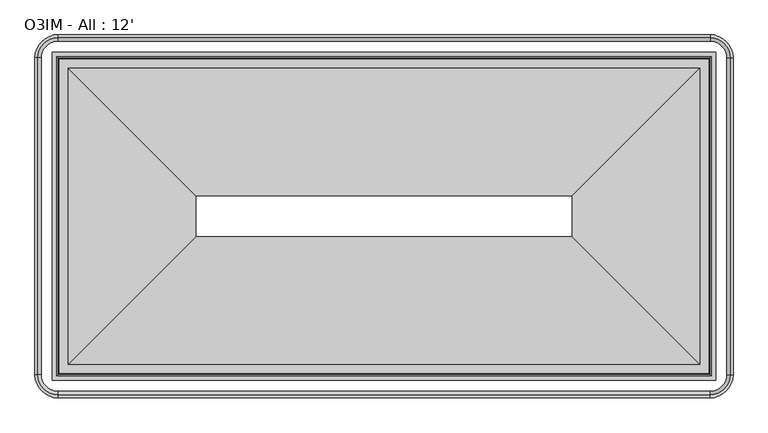
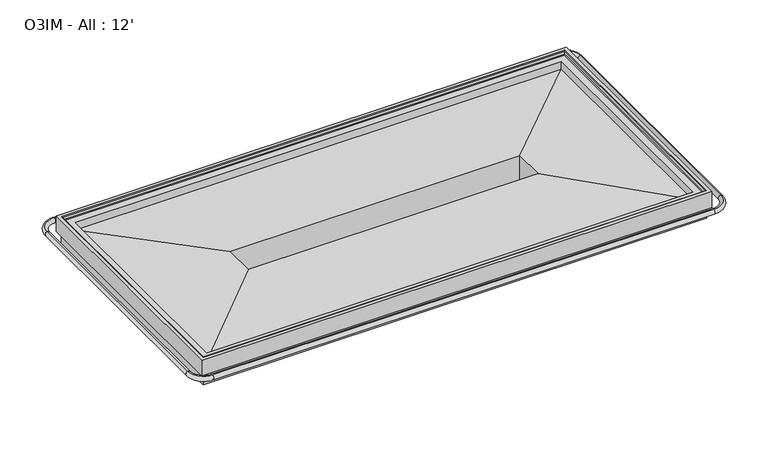
"""IFC4 building model written with IfcOpenShell, lengths in millimetres: proxy geometry, O3IM - All : 12'."""

from ifc_helpers import new_model, si_unit, point, frame, origin, place, context, project, spatial, circle_curve, ellipse_curve, trimmed, source, transform, mapped, element, save
from ifc_brep_helpers import plane_surface, cylinder_surface, revolved_surface, advanced_brep


def o3im_all_12_a718f6d6(model_context):
    return source(origin(), model_context, "Body", "AdvancedBrep", [
        advanced_brep(
        [(3001.1369938, -1529.3959211, 583.240307), (3712.1940482, -2240.4529755, 564.6206228), (3712.1940482, -588.2148791, 564.6206228), (3001.1369938, -1299.2719335, 583.240307), (3001.1369938, -1529.3959211, 330.5006237), (3001.1369938, -1299.2719335, 330.5006237), (3287.3539195, -1815.6128468, 315.9996591), (3287.3539195, -1013.0550078, 315.9996591), (3302.4358253, -1830.6947526, 301.7115379), (3302.4358253, -997.973102, 301.7115379), (3317.5165925, -1845.7755198, 315.9985806), (3317.5165925, -982.8923348, 315.9985806), (3615.687379, -2143.9463063, 326.7908623), (3615.687379, -684.7215483, 326.7908623), (3778.535508, -2306.7944353, 440.8183498), (3778.535508, -521.8734193, 440.8183498), (3778.535508, -2306.7944353, 529.6852408), (3778.535508, -521.8734193, 529.6852408), (3801.3161501, -2329.5750774, 651.1666761), (3801.3161501, -2329.5750774, 529.6852408), (3801.3161501, -499.0927772, 529.6852408), (3801.3161501, -499.0927772, 651.1666761), (3772.0142767, -2300.273204, 646.4576372), (3776.0651876, -2304.3241149, 651.1666761), (3776.0651876, -524.3437397, 651.1666761), (3772.0142767, -528.3946506, 646.4576372), (3771.9229493, -2300.1818766, 625.4643319), (3771.9229493, -528.485978, 625.4643319), (3764.9031366, -2293.1620639, 622.6991544), (3764.9031366, -535.5057907, 622.6991544), (3712.1940482, -2240.4529755, 622.6991544), (3712.1940482, -588.2148791, 622.6991544), (186.7059518, -588.2148791, 564.6206228), (897.7630062, -1299.2719335, 583.240307), (897.7630062, -1299.2719335, 330.5006237), (611.5460805, -1013.0550078, 315.9996591), (596.4641747, -997.973102, 301.7115379), (581.3834075, -982.8923348, 315.9985806), (283.212621, -684.7215483, 326.7908623), (120.364492, -521.8734193, 440.8183498), (120.364492, -521.8734193, 529.6852408), (97.5838499, -499.0927772, 529.6852408), (97.5838499, -499.0927772, 651.1666761), (122.8348124, -524.3437397, 651.1666761), (126.8857233, -528.3946506, 646.4576372), (126.9770507, -528.485978, 625.4643319), (133.9968634, -535.5057907, 622.6991544), (186.7059518, -588.2148791, 622.6991544), (186.7059518, -2240.4529755, 564.6206228), (897.7630062, -1529.3959211, 583.240307), (897.7630062, -1529.3959211, 330.5006237), (611.5460805, -1815.6128468, 315.9996591), (596.4641747, -1830.6947526, 301.7115379), (581.3834075, -1845.7755198, 315.9985806), (283.212621, -2143.9463063, 326.7908623), (120.364492, -2306.7944353, 440.8183498), (120.364492, -2306.7944353, 529.6852408), (97.5838499, -2329.5750774, 529.6852408), (97.5838499, -2329.5750774, 651.1666761), (122.8348124, -2304.3241149, 651.1666761), (126.8857233, -2300.273204, 646.4576372), (126.9770507, -2300.1818766, 625.4643319), (133.9968634, -2293.1620639, 622.6991544), (186.7059518, -2240.4529755, 622.6991544)],
        [
            (0, 1),
            (1, 2),
            (2, 3),
            (3, 0),
            (4, 0),
            (3, 5),
            (5, 4),
            (6, 4),
            (5, 7),
            (7, 6),
            (8, 6),
            (7, 9),
            (9, 8),
            (10, 8),
            (9, 11),
            (11, 10),
            (12, 10),
            (11, 13),
            (13, 12),
            (14, 12),
            (13, 15),
            (15, 14),
            (16, 14),
            (15, 17),
            (17, 16),
            (18, 19),
            (19, 20),
            (20, 21),
            (21, 18),
            (22, 23, ellipse_curve(frame((3776.7767767, -2305.035704, 646.4576372), z_axis=(0.7071067811865475, 0.7071067811865475, 0.0), x_axis=(0.7071067811865474, -0.7071067811865476, 0.0)), 6.7351921, 4.7625)),
            (23, 24),
            (24, 25, ellipse_curve(frame((3776.7767767, -523.6321506, 646.4576372), z_axis=(0.7071067811865475, -0.7071067811865475, 0.0), x_axis=(-0.7071067811865474, -0.7071067811865476, 0.0)), 6.7351921, 4.7625)),
            (25, 22),
            (26, 22),
            (25, 27),
            (27, 26),
            (28, 26),
            (27, 29),
            (29, 28),
            (1, 30),
            (30, 31),
            (31, 2),
            (2, 32),
            (32, 33),
            (33, 3),
            (33, 34),
            (34, 5),
            (34, 35),
            (35, 7),
            (35, 36),
            (36, 9),
            (36, 37),
            (37, 11),
            (37, 38),
            (38, 13),
            (38, 39),
            (39, 15),
            (39, 40),
            (40, 17),
            (20, 41),
            (41, 42),
            (42, 21),
            (24, 43),
            (43, 44, ellipse_curve(frame((122.1232233, -523.6321506, 646.4576372), z_axis=(0.7071067811865475, 0.7071067811865475, 0.0), x_axis=(0.7071067811865476, -0.7071067811865474, 0.0)), 6.7351921, 4.7625)),
            (44, 25),
            (44, 45),
            (45, 27),
            (45, 46),
            (46, 29),
            (31, 47),
            (47, 32),
            (32, 48),
            (48, 49),
            (49, 33),
            (49, 50),
            (50, 34),
            (50, 51),
            (51, 35),
            (51, 52),
            (52, 36),
            (52, 53),
            (53, 37),
            (53, 54),
            (54, 38),
            (54, 55),
            (55, 39),
            (55, 56),
            (56, 40),
            (41, 57),
            (57, 58),
            (58, 42),
            (43, 59),
            (59, 60, ellipse_curve(frame((122.1232233, -2305.035704, 646.4576372), z_axis=(-0.7071067811865475, 0.7071067811865475, 0.0), x_axis=(0.7071067811865474, 0.7071067811865476, 0.0)), 6.7351921, 4.7625)),
            (60, 44),
            (60, 61),
            (61, 45),
            (61, 62),
            (62, 46),
            (47, 63),
            (63, 48),
            (48, 1),
            (0, 49),
            (4, 50),
            (6, 51),
            (8, 52),
            (10, 53),
            (12, 54),
            (14, 55),
            (16, 56),
            (19, 57),
            (18, 58),
            (23, 59),
            (22, 60),
            (26, 61),
            (28, 62),
            (30, 63),
        ],
        [
            plane_surface(frame((3712.1940482, -2240.4529755, 564.6206228), z_axis=(0.026176948307951815, 0.0, 0.9996573249755553), x_axis=(0.0, 1.0, 0.0))),
            plane_surface(frame((3001.1369938, -1529.3959211, 583.240307), z_axis=(-1.0, 0.0, 0.0), x_axis=(0.0, 1.0, 0.0))),
            plane_surface(frame((3001.1369938, -1529.3959211, 330.5006237), z_axis=(-0.05059934604185507, 0.0, -0.9987190326513942), x_axis=(0.0, 1.0, 0.0))),
            plane_surface(frame((3287.3539195, -1815.6128468, 315.9996591), z_axis=(-0.6877446479107937, 0.0, -0.7259526839058166), x_axis=(0.0, 1.0, 0.0))),
            plane_surface(frame((3302.4358253, -1830.6947526, 301.7115379), z_axis=(0.6877446479108454, 0.0, -0.7259526839057676), x_axis=(0.0, 1.0, 0.0))),
            plane_surface(frame((3317.5165925, -1845.7755198, 315.9985806), z_axis=(0.036171280996439965, 0.0, -0.9993456050991952), x_axis=(0.0, 1.0, 0.0))),
            plane_surface(frame((3615.687379, -2143.9463063, 326.7908623), z_axis=(0.5735764363510389, 0.0, -0.8191520442889968), x_axis=(0.0, 1.0, 0.0))),
            plane_surface(frame((3778.535508, -2306.7944353, 440.8183498), z_axis=(1.0, 0.0, 0.0), x_axis=(0.0, 1.0, 0.0))),
            plane_surface(frame((3801.3161501, -2329.5750774, 529.6852408), z_axis=(1.0, 0.0, 0.0), x_axis=(0.0, 1.0, 0.0))),
            cylinder_surface(frame((3776.7767767, -2427.1589273, 646.4576372), z_axis=(0.0, -1.0, 0.0), x_axis=(-1.0, 0.0, 0.0)), 4.7625),
            plane_surface(frame((3772.0142767, -2300.273204, 646.4576372), z_axis=(-0.9999905375281687, 0.0, 0.004350270580597052), x_axis=(0.0, 1.0, 0.0))),
            plane_surface(frame((3771.9229493, -2300.1818766, 625.4643319), z_axis=(-0.366501192754731, 0.0, 0.9304175813629919), x_axis=(0.0, 1.0, 0.0))),
            plane_surface(frame((3712.1940482, -2240.4529755, 622.6991544), z_axis=(-1.0, 0.0, 0.0), x_axis=(0.0, 1.0, 0.0))),
            plane_surface(frame((3712.1940482, -588.2148791, 564.6206228), z_axis=(0.0, 0.026176948307951815, 0.9996573249755553), x_axis=(-1.0, 0.0, 0.0))),
            plane_surface(frame((3001.1369938, -1299.2719335, 583.240307), z_axis=(0.0, -1.0, 0.0), x_axis=(-1.0, 0.0, 0.0))),
            plane_surface(frame((3001.1369938, -1299.2719335, 330.5006237), z_axis=(0.0, -0.05059934604185507, -0.9987190326513942), x_axis=(-1.0, 0.0, 0.0))),
            plane_surface(frame((3287.3539195, -1013.0550078, 315.9996591), z_axis=(0.0, -0.6877446479107937, -0.7259526839058166), x_axis=(-1.0, 0.0, 0.0))),
            plane_surface(frame((3302.4358253, -997.973102, 301.7115379), z_axis=(0.0, 0.6877446479108454, -0.7259526839057676), x_axis=(-1.0, 0.0, 0.0))),
            plane_surface(frame((3317.5165925, -982.8923348, 315.9985806), z_axis=(0.0, 0.036171280996439965, -0.9993456050991952), x_axis=(-1.0, 0.0, 0.0))),
            plane_surface(frame((3615.687379, -684.7215483, 326.7908623), z_axis=(0.0, 0.5735764363510389, -0.8191520442889968), x_axis=(-1.0, 0.0, 0.0))),
            plane_surface(frame((3778.535508, -521.8734193, 440.8183498), z_axis=(0.0, 1.0, 0.0), x_axis=(-1.0, 0.0, 0.0))),
            plane_surface(frame((3801.3161501, -499.0927772, 529.6852408), z_axis=(0.0, 1.0, 0.0), x_axis=(-1.0, 0.0, 0.0))),
            cylinder_surface(frame((3898.9, -523.6321506, 646.4576372), z_axis=(1.0, 0.0, 0.0), x_axis=(0.0, -1.0, 0.0)), 4.7625),
            plane_surface(frame((3772.0142767, -528.3946506, 646.4576372), z_axis=(0.0, -0.9999905375281687, 0.004350270580597052), x_axis=(-1.0, 0.0, 0.0))),
            plane_surface(frame((3771.9229493, -528.485978, 625.4643319), z_axis=(0.0, -0.366501192754731, 0.9304175813629919), x_axis=(-1.0, 0.0, 0.0))),
            plane_surface(frame((3712.1940482, -588.2148791, 622.6991544), z_axis=(0.0, -1.0, 0.0), x_axis=(-1.0, 0.0, 0.0))),
            plane_surface(frame((186.7059518, -588.2148791, 564.6206228), z_axis=(-0.026176948307951815, 0.0, 0.9996573249755553), x_axis=(0.0, -1.0, 0.0))),
            plane_surface(frame((897.7630062, -1299.2719335, 583.240307), z_axis=(1.0, 0.0, 0.0), x_axis=(0.0, -1.0, 0.0))),
            plane_surface(frame((897.7630062, -1299.2719335, 330.5006237), z_axis=(0.05059934604185507, 0.0, -0.9987190326513942), x_axis=(0.0, -1.0, 0.0))),
            plane_surface(frame((611.5460805, -1013.0550078, 315.9996591), z_axis=(0.6877446479107937, 0.0, -0.7259526839058166), x_axis=(0.0, -1.0, 0.0))),
            plane_surface(frame((596.4641747, -997.973102, 301.7115379), z_axis=(-0.6877446479108454, 0.0, -0.7259526839057676), x_axis=(0.0, -1.0, 0.0))),
            plane_surface(frame((581.3834075, -982.8923348, 315.9985806), z_axis=(-0.036171280996439965, 0.0, -0.9993456050991952), x_axis=(0.0, -1.0, 0.0))),
            plane_surface(frame((283.212621, -684.7215483, 326.7908623), z_axis=(-0.5735764363510389, 0.0, -0.8191520442889968), x_axis=(0.0, -1.0, 0.0))),
            plane_surface(frame((120.364492, -521.8734193, 440.8183498), z_axis=(-1.0, 0.0, 0.0), x_axis=(0.0, -1.0, 0.0))),
            plane_surface(frame((97.5838499, -499.0927772, 529.6852408), z_axis=(-1.0, 0.0, 0.0), x_axis=(0.0, -1.0, 0.0))),
            cylinder_surface(frame((122.1232233, -401.5089273, 646.4576372), z_axis=(0.0, 1.0, 0.0), x_axis=(1.0, 0.0, 0.0)), 4.7625),
            plane_surface(frame((126.8857233, -528.3946506, 646.4576372), z_axis=(0.9999905375281687, 0.0, 0.004350270580597052), x_axis=(0.0, -1.0, 0.0))),
            plane_surface(frame((126.9770507, -528.485978, 625.4643319), z_axis=(0.366501192754731, 0.0, 0.9304175813629919), x_axis=(0.0, -1.0, 0.0))),
            plane_surface(frame((186.7059518, -588.2148791, 622.6991544), z_axis=(1.0, 0.0, 0.0), x_axis=(0.0, -1.0, 0.0))),
            plane_surface(frame((186.7059518, -2240.4529755, 564.6206228), z_axis=(0.0, -0.026176948307951815, 0.9996573249755553), x_axis=(1.0, 0.0, 0.0))),
            plane_surface(frame((897.7630062, -1529.3959211, 583.240307), z_axis=(0.0, 1.0, 0.0), x_axis=(1.0, 0.0, 0.0))),
            plane_surface(frame((897.7630062, -1529.3959211, 330.5006237), z_axis=(0.0, 0.05059934604185507, -0.9987190326513942), x_axis=(1.0, 0.0, 0.0))),
            plane_surface(frame((611.5460805, -1815.6128468, 315.9996591), z_axis=(0.0, 0.6877446479107937, -0.7259526839058166), x_axis=(1.0, 0.0, 0.0))),
            plane_surface(frame((596.4641747, -1830.6947526, 301.7115379), z_axis=(0.0, -0.6877446479108454, -0.7259526839057676), x_axis=(1.0, 0.0, 0.0))),
            plane_surface(frame((581.3834075, -1845.7755198, 315.9985806), z_axis=(0.0, -0.036171280996439965, -0.9993456050991952), x_axis=(1.0, 0.0, 0.0))),
            plane_surface(frame((283.212621, -2143.9463063, 326.7908623), z_axis=(0.0, -0.5735764363510389, -0.8191520442889968), x_axis=(1.0, 0.0, 0.0))),
            plane_surface(frame((120.364492, -2306.7944353, 440.8183498), z_axis=(0.0, -1.0, 0.0), x_axis=(1.0, 0.0, 0.0))),
            plane_surface(frame((120.364492, -2306.7944353, 529.6852408), z_axis=(0.0, 0.0, -1.0), x_axis=(1.0, 0.0, 0.0))),
            plane_surface(frame((97.5838499, -2329.5750774, 529.6852408), z_axis=(0.0, -1.0, 0.0), x_axis=(1.0, 0.0, 0.0))),
            plane_surface(frame((97.5838499, -2329.5750774, 651.1666761), z_axis=(0.0, 0.0, 1.0), x_axis=(1.0, 0.0, 0.0))),
            cylinder_surface(frame((0.0, -2305.035704, 646.4576372), z_axis=(-1.0, 0.0, 0.0), x_axis=(0.0, 1.0, 0.0)), 4.7625),
            plane_surface(frame((126.8857233, -2300.273204, 646.4576372), z_axis=(0.0, 0.9999905375281687, 0.004350270580597052), x_axis=(1.0, 0.0, 0.0))),
            plane_surface(frame((126.9770507, -2300.1818766, 625.4643319), z_axis=(0.0, 0.366501192754731, 0.9304175813629919), x_axis=(1.0, 0.0, 0.0))),
            plane_surface(frame((133.9968634, -2293.1620639, 622.6991544), z_axis=(0.0, 0.0, 1.0), x_axis=(1.0, 0.0, 0.0))),
            plane_surface(frame((186.7059518, -2240.4529755, 622.6991544), z_axis=(0.0, 1.0, 0.0), x_axis=(1.0, 0.0, 0.0))),
        ],
        [
            (0, [[1, 2, 3, 4]]),
            (1, [[5, -4, 6, 7]]),
            (2, [[8, -7, 9, 10]]),
            (3, [[11, -10, 12, 13]]),
            (4, [[14, -13, 15, 16]]),
            (5, [[17, -16, 18, 19]]),
            (6, [[20, -19, 21, 22]]),
            (7, [[23, -22, 24, 25]]),
            (8, [[26, 27, 28, 29]]),
            (9, [[30, 31, 32, 33]]),
            (10, [[34, -33, 35, 36]]),
            (11, [[37, -36, 38, 39]]),
            (12, [[40, 41, 42, -2]]),
            (13, [[-3, 43, 44, 45]]),
            (14, [[-6, -45, 46, 47]]),
            (15, [[-9, -47, 48, 49]]),
            (16, [[-12, -49, 50, 51]]),
            (17, [[-15, -51, 52, 53]]),
            (18, [[-18, -53, 54, 55]]),
            (19, [[-21, -55, 56, 57]]),
            (20, [[-24, -57, 58, 59]]),
            (21, [[-28, 60, 61, 62]]),
            (22, [[-32, 63, 64, 65]]),
            (23, [[-35, -65, 66, 67]]),
            (24, [[-38, -67, 68, 69]]),
            (25, [[-42, 70, 71, -43]]),
            (26, [[-44, 72, 73, 74]]),
            (27, [[-46, -74, 75, 76]]),
            (28, [[-48, -76, 77, 78]]),
            (29, [[-50, -78, 79, 80]]),
            (30, [[-52, -80, 81, 82]]),
            (31, [[-54, -82, 83, 84]]),
            (32, [[-56, -84, 85, 86]]),
            (33, [[-58, -86, 87, 88]]),
            (34, [[-61, 89, 90, 91]]),
            (35, [[-64, 92, 93, 94]]),
            (36, [[-66, -94, 95, 96]]),
            (37, [[-68, -96, 97, 98]]),
            (38, [[-71, 99, 100, -72]]),
            (39, [[-73, 101, -1, 102]]),
            (40, [[-75, -102, -5, 103]]),
            (41, [[-77, -103, -8, 104]]),
            (42, [[-79, -104, -11, 105]]),
            (43, [[-81, -105, -14, 106]]),
            (44, [[-83, -106, -17, 107]]),
            (45, [[-85, -107, -20, 108]]),
            (46, [[-87, -108, -23, 109]]),
            (47, [[110, -89, -60, -27], [-59, -88, -109, -25]]),
            (48, [[-90, -110, -26, 111]]),
            (49, [[-62, -91, -111, -29], [112, -92, -63, -31]]),
            (50, [[-93, -112, -30, 113]]),
            (51, [[-95, -113, -34, 114]]),
            (52, [[-97, -114, -37, 115]]),
            (53, [[-69, -98, -115, -39], [116, -99, -70, -41]]),
            (54, [[-100, -116, -40, -101]]),
        ],
    ),
        advanced_brep(
        [(15.5691464, -2298.62165, 576.4502877), (128.5372773, -2411.5897809, 576.4502877), (128.5372773, -2412.2459044, 541.7869334), (14.9130229, -2298.62165, 541.7869334), (14.9130229, -530.0462046, 541.7869334), (15.5691464, -530.0462046, 576.4502877), (128.5372773, -417.0780737, 576.4502877), (128.5372773, -416.4219502, 541.7869334), (3770.3627227, -416.4219502, 541.7869334), (3770.3627227, -417.0780737, 576.4502877), (3883.3308536, -530.0462046, 576.4502877), (3883.9869771, -530.0462046, 541.7869334), (3883.9869771, -2298.62165, 541.7869334), (3883.3308536, -2298.62165, 576.4502877), (3770.3627227, -2411.5897809, 576.4502877), (3770.3627227, -2412.2459044, 541.7869334)],
        [
            (0, 1, circle_curve(frame((128.5372773, -2298.62165, 576.4502877), z_axis=(0.0, 0.0, 1.0), x_axis=(0.0, -1.0, 0.0)), 112.9681309)),
            (1, 2, circle_curve(frame((128.5372773, -2409.555689, 559.0738987), z_axis=(-1.0, 0.0, 0.0), x_axis=(0.0, -1.0, 0.0)), 17.49504)),
            (2, 3, circle_curve(frame((128.5372773, -2298.62165, 541.7869334), z_axis=(0.0, 0.0, -1.0), x_axis=(0.0, -1.0, 0.0)), 113.6242544)),
            (3, 0, circle_curve(frame((17.6032383, -2298.62165, 559.0738987), z_axis=(0.0, -1.0, 0.0), x_axis=(-1.0, 0.0, 0.0)), 17.49504)),
            (2, 1, circle_curve(frame((128.5372773, -2409.555689, 559.0738987), z_axis=(-1.0, 0.0, 0.0), x_axis=(0.0, -1.0, 0.0)), 17.49504)),
            (0, 3, circle_curve(frame((17.6032383, -2298.62165, 559.0738987), z_axis=(0.0, -1.0, 0.0), x_axis=(-1.0, 0.0, 0.0)), 17.49504)),
            (3, 4),
            (4, 5, circle_curve(frame((17.6032383, -530.0462046, 559.0738987), z_axis=(0.0, -1.0, 0.0), x_axis=(-1.0, 0.0, 0.0)), 17.49504)),
            (5, 0),
            (5, 4, circle_curve(frame((17.6032383, -530.0462046, 559.0738987), z_axis=(0.0, -1.0, 0.0), x_axis=(-1.0, 0.0, 0.0)), 17.49504)),
            (6, 5, circle_curve(frame((128.5372773, -530.0462046, 576.4502877), z_axis=(0.0, 0.0, 1.0), x_axis=(-1.0, 0.0, 0.0)), 112.9681309)),
            (4, 7, circle_curve(frame((128.5372773, -530.0462046, 541.7869334), z_axis=(0.0, 0.0, -1.0), x_axis=(-1.0, 0.0, 0.0)), 113.6242544)),
            (7, 6, circle_curve(frame((128.5372773, -419.1121656, 559.0738987), z_axis=(-1.0, 0.0, 0.0), x_axis=(0.0, 1.0, 0.0)), 17.49504)),
            (6, 7, circle_curve(frame((128.5372773, -419.1121656, 559.0738987), z_axis=(-1.0, 0.0, 0.0), x_axis=(0.0, 1.0, 0.0)), 17.49504)),
            (7, 8),
            (8, 9, circle_curve(frame((3770.3627227, -419.1121656, 559.0738987), z_axis=(-1.0, 0.0, 0.0), x_axis=(0.0, 1.0, 0.0)), 17.49504)),
            (9, 6),
            (9, 8, circle_curve(frame((3770.3627227, -419.1121656, 559.0738987), z_axis=(-1.0, 0.0, 0.0), x_axis=(0.0, 1.0, 0.0)), 17.49504)),
            (10, 9, circle_curve(frame((3770.3627227, -530.0462046, 576.4502877), z_axis=(0.0, 0.0, 1.0), x_axis=(0.0, 1.0, 0.0)), 112.9681309)),
            (8, 11, circle_curve(frame((3770.3627227, -530.0462046, 541.7869334), z_axis=(0.0, 0.0, -1.0), x_axis=(0.0, 1.0, 0.0)), 113.6242544)),
            (11, 10, circle_curve(frame((3881.2967617, -530.0462046, 559.0738987), z_axis=(0.0, 1.0, 0.0), x_axis=(1.0, 0.0, 0.0)), 17.49504)),
            (10, 11, circle_curve(frame((3881.2967617, -530.0462046, 559.0738987), z_axis=(0.0, 1.0, 0.0), x_axis=(1.0, 0.0, 0.0)), 17.49504)),
            (11, 12),
            (12, 13, circle_curve(frame((3881.2967617, -2298.62165, 559.0738987), z_axis=(0.0, 1.0, 0.0), x_axis=(1.0, 0.0, 0.0)), 17.49504)),
            (13, 10),
            (13, 12, circle_curve(frame((3881.2967617, -2298.62165, 559.0738987), z_axis=(0.0, 1.0, 0.0), x_axis=(1.0, 0.0, 0.0)), 17.49504)),
            (14, 13, circle_curve(frame((3770.3627227, -2298.62165, 576.4502877), z_axis=(0.0, 0.0, 1.0), x_axis=(1.0, 0.0, 0.0)), 112.9681309)),
            (12, 15, circle_curve(frame((3770.3627227, -2298.62165, 541.7869334), z_axis=(0.0, 0.0, -1.0), x_axis=(1.0, 0.0, 0.0)), 113.6242544)),
            (15, 14, circle_curve(frame((3770.3627227, -2409.555689, 559.0738987), z_axis=(1.0, 0.0, 0.0), x_axis=(0.0, -1.0, 0.0)), 17.49504)),
            (14, 15, circle_curve(frame((3770.3627227, -2409.555689, 559.0738987), z_axis=(1.0, 0.0, 0.0), x_axis=(0.0, -1.0, 0.0)), 17.49504)),
            (15, 2),
            (1, 14),
        ],
        [
            revolved_surface(trimmed(ellipse_curve(frame((128.5372773, -2409.555689, 559.0738987), z_axis=(1.0, 0.0, 0.0), x_axis=(0.0, -1.0, 0.0)), 17.49504, 17.49504), [point((128.5372773, -2412.2459044, 541.7869334))], [point((128.5372773, -2411.5897809, 576.4502877))], True, "CARTESIAN"), (128.5372773, -2298.62165, 0.0), (0.0, 0.0, -1.0)),
            revolved_surface(trimmed(ellipse_curve(frame((128.5372773, -2409.555689, 559.0738987), z_axis=(1.0, 0.0, 0.0), x_axis=(0.0, -1.0, 0.0)), 17.49504, 17.49504), [point((128.5372773, -2411.5897809, 576.4502877))], [point((128.5372773, -2412.2459044, 541.7869334))], True, "CARTESIAN"), (128.5372773, -2298.62165, 0.0), (0.0, 0.0, -1.0)),
            cylinder_surface(frame((17.6032383, -2298.62165, 559.0738987), z_axis=(0.0, -1.0, 0.0), x_axis=(-1.0, 0.0, 0.0)), 17.49504),
            revolved_surface(trimmed(ellipse_curve(frame((17.6032383, -530.0462046, 559.0738987), z_axis=(0.0, -1.0, 0.0), x_axis=(-1.0, 0.0, 0.0)), 17.49504, 17.49504), [point((14.9130229, -530.0462046, 541.7869334))], [point((15.5691464, -530.0462046, 576.4502877))], True, "CARTESIAN"), (128.5372773, -530.0462046, 0.0), (0.0, 0.0, -1.0)),
            revolved_surface(trimmed(ellipse_curve(frame((17.6032383, -530.0462046, 559.0738987), z_axis=(0.0, -1.0, 0.0), x_axis=(-1.0, 0.0, 0.0)), 17.49504, 17.49504), [point((15.5691464, -530.0462046, 576.4502877))], [point((14.9130229, -530.0462046, 541.7869334))], True, "CARTESIAN"), (128.5372773, -530.0462046, 0.0), (0.0, 0.0, -1.0)),
            cylinder_surface(frame((128.5372773, -419.1121656, 559.0738987), z_axis=(-1.0, 0.0, 0.0), x_axis=(0.0, 1.0, 0.0)), 17.49504),
            revolved_surface(trimmed(ellipse_curve(frame((3770.3627227, -419.1121656, 559.0738987), z_axis=(-1.0, 0.0, 0.0), x_axis=(0.0, 1.0, 0.0)), 17.49504, 17.49504), [point((3770.3627227, -416.4219502, 541.7869334))], [point((3770.3627227, -417.0780737, 576.4502877))], True, "CARTESIAN"), (3770.3627227, -530.0462046, 0.0), (0.0, 0.0, -1.0)),
            revolved_surface(trimmed(ellipse_curve(frame((3770.3627227, -419.1121656, 559.0738987), z_axis=(-1.0, 0.0, 0.0), x_axis=(0.0, 1.0, 0.0)), 17.49504, 17.49504), [point((3770.3627227, -417.0780737, 576.4502877))], [point((3770.3627227, -416.4219502, 541.7869334))], True, "CARTESIAN"), (3770.3627227, -530.0462046, 0.0), (0.0, 0.0, -1.0)),
            cylinder_surface(frame((3881.2967617, -530.0462046, 559.0738987), z_axis=(0.0, 1.0, 0.0), x_axis=(1.0, 0.0, 0.0)), 17.49504),
            revolved_surface(trimmed(ellipse_curve(frame((3881.2967617, -2298.62165, 559.0738987), z_axis=(0.0, 1.0, 0.0), x_axis=(1.0, 0.0, 0.0)), 17.49504, 17.49504), [point((3883.9869771, -2298.62165, 541.7869334))], [point((3883.3308536, -2298.62165, 576.4502877))], True, "CARTESIAN"), (3770.3627227, -2298.62165, 0.0), (0.0, 0.0, -1.0)),
            revolved_surface(trimmed(ellipse_curve(frame((3881.2967617, -2298.62165, 559.0738987), z_axis=(0.0, 1.0, 0.0), x_axis=(1.0, 0.0, 0.0)), 17.49504, 17.49504), [point((3883.3308536, -2298.62165, 576.4502877))], [point((3883.9869771, -2298.62165, 541.7869334))], True, "CARTESIAN"), (3770.3627227, -2298.62165, 0.0), (0.0, 0.0, -1.0)),
            cylinder_surface(frame((3770.3627227, -2409.555689, 559.0738987), z_axis=(1.0, 0.0, 0.0), x_axis=(0.0, -1.0, 0.0)), 17.49504),
        ],
        [
            (0, [[1, 2, 3, 4]]),
            (1, [[-3, 5, -1, 6]]),
            (2, [[-4, 7, 8, 9]]),
            (2, [[-6, -9, 10, -7]]),
            (3, [[11, -8, 12, 13]]),
            (4, [[-12, -10, -11, 14]]),
            (5, [[-13, 15, 16, 17]]),
            (5, [[-14, -17, 18, -15]]),
            (6, [[19, -16, 20, 21]]),
            (7, [[-20, -18, -19, 22]]),
            (8, [[-21, 23, 24, 25]]),
            (8, [[-22, -25, 26, -23]]),
            (9, [[27, -24, 28, 29]]),
            (10, [[-28, -26, -27, 30]]),
            (11, [[-29, 31, -2, 32]]),
            (11, [[-30, -32, -5, -31]]),
        ],
    ),
    ])


if __name__ == "__main__":
    model = new_model("IFC4")
    model_context = context("Model", 3, world=origin())
    ifc_project = project(units=[si_unit("LENGTHUNIT", "METRE", prefix="MILLI")], contexts=[model_context])
    site = spatial("IfcSite", under=ifc_project)
    building = spatial("IfcBuilding", under=site)
    placement = place(None, origin())
    o3im_all_12_shape = o3im_all_12_a718f6d6(model_context)
    element("IfcBuildingElementProxy", 1, Name="O3IM - All : 12'", ObjectType="O3IM - All : 12'", at=placement, inside=building, context=model_context, shape_type="MappedRepresentation", body=[
        mapped(o3im_all_12_shape, transform((0.0, 0.0, 0.0), x_axis=(1.0, 0.0, 0.0), y_axis=(0.0, 1.0, 0.0), z_axis=(0.0, 0.0, 1.0))),
    ])
    save(model, "model.ifc")
